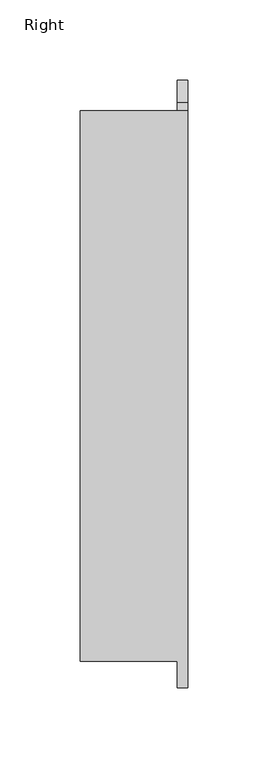
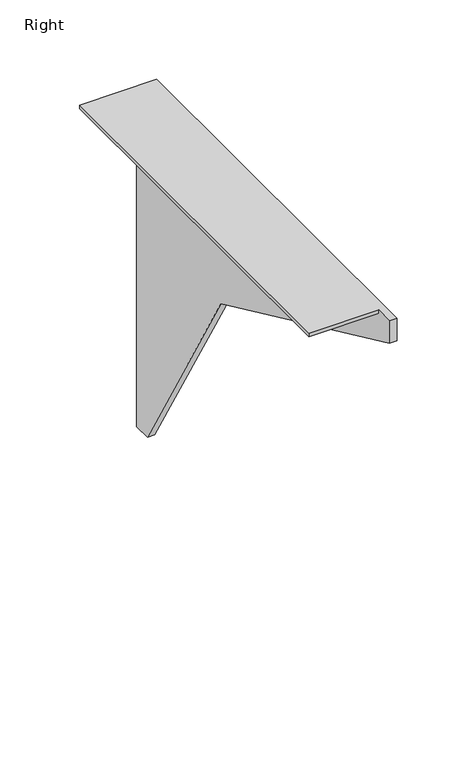
"""IFC4 building model written with IfcOpenShell, lengths in millimetres: furniture geometry, Right."""

from ifc_helpers import new_model, si_unit, origin, place, context, project, spatial, faceted_brep, source, transform, mapped, element, save


def right_3d4eb8b5(model_context):
    return source(origin(), model_context, "Body", "Brep", [
        faceted_brep([(0.0, -18.8652729, 683.2686138), (0.0, -18.8652729, 693.7373789), (0.0, -378.005924, 693.7373789), (0.0, -378.005924, 673.1603645), (0.0, -126.1876465, 556.5973486), (0.0, -15.8528841, 367.9598803), (0.0, 0.0, 367.9598803), (0.0, 0.0, 646.9179983), (0.0, -13.564579, 653.112751), (0.0, -13.564579, 631.915353), (0.0, -93.4246754, 668.6474859), (0.0, -90.6996964, 682.9788786), (-6.3496124, -18.8652729, 683.2686138), (-6.3496124, -90.6996964, 682.9788786), (-6.3496124, -93.4246754, 668.6474859), (-6.3496124, -13.564579, 631.915353), (-6.3496124, -13.564579, 653.112751), (-6.3496124, 0.0, 646.9179983), (-6.3496124, 0.0, 367.9598803), (-6.3496124, -15.8528841, 367.9598803), (-6.3496124, -126.1876465, 556.5973486), (-6.3496124, -378.005924, 673.1603645), (-6.3496124, -378.005924, 693.7373789), (-6.3496124, -361.7652002, 693.7373789), (-6.3496124, -361.7652002, 690.6147928), (-6.3496124, -18.8652729, 690.6147928), (-66.802, -18.8651276, 693.7373789), (-66.802, -361.7652002, 693.7373789), (-66.802, -18.8652729, 690.6147928), (-66.802, -361.7652002, 690.6147928)], [[[0, 1, 2, 3, 4, 5, 6, 7, 8, 9, 10, 11]], [[12, 13, 14, 15, 16, 17, 18, 19, 20, 21, 22, 23, 24, 25]], [[26, 27, 23, 22, 2, 1]], [[3, 2, 22, 21]], [[4, 3, 21, 20]], [[5, 4, 20, 19]], [[6, 5, 19, 18]], [[7, 6, 18, 17]], [[8, 7, 17, 16]], [[9, 8, 16, 15]], [[10, 9, 15, 14]], [[11, 10, 14, 13]], [[0, 11, 13, 12]], [[26, 1, 0, 12, 25, 28]], [[29, 28, 25, 24]], [[27, 26, 28, 29]], [[27, 29, 24, 23]]]),
    ])


if __name__ == "__main__":
    model = new_model("IFC4")
    model_context = context("Model", 3, world=origin())
    ifc_project = project(units=[si_unit("LENGTHUNIT", "METRE", prefix="MILLI")], contexts=[model_context])
    site = spatial("IfcSite", under=ifc_project)
    building = spatial("IfcBuilding", under=site)
    placement = place(None, origin())
    right_shape = right_3d4eb8b5(model_context)
    element("IfcFurniture", 1, ObjectType="Right", at=placement, inside=building, context=model_context, shape_type="MappedRepresentation", body=[
        mapped(right_shape, transform((0.0, 0.0, 0.0), x_axis=(1.0, 0.0, 0.0), y_axis=(0.0, 1.0, 0.0), z_axis=(0.0, 0.0, 1.0))),
    ])
    save(model, "model.ifc")
